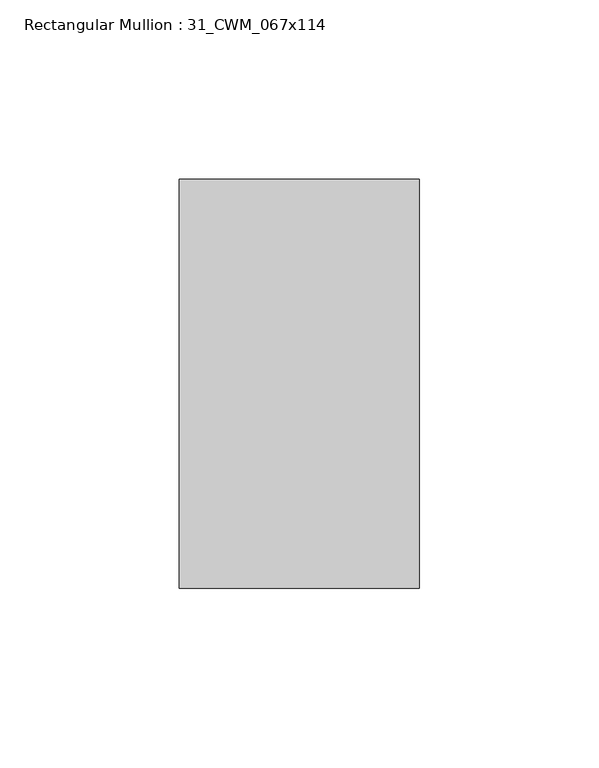
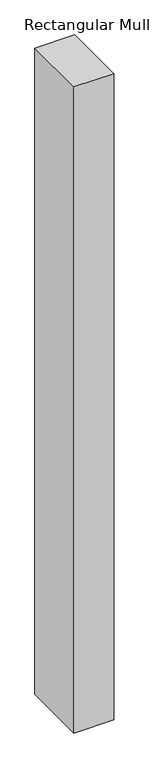
"""IFC4 building model written with IfcOpenShell, lengths in millimetres: member geometry, Rectangular Mullion : 31_CWM_067x114."""

import ifcopenshell
import ifcopenshell.guid

model = None  # the IFC model being written
_history = None  # IfcOwnerHistory: only IFC2X3 demands one
_inside = {}  # id of a spatial element -> (the spatial element, [elements in it])
_under = {}  # id of a project, library or spatial element -> (it, [spatial elements below it])
_declared = {}  # id of a project -> (the project, [libraries it declares])
_typed = {}  # id of a type object -> (the type object, [elements of that type])
_made_of = {}  # id of a material, layer set ... -> (it, [elements and type objects made of it])


def new_model(schema):
    """Start an empty IFC model of exactly this schema.

    Asked for "IFC4X3", IfcOpenShell would pick the latest addendum, in which some entities
    have other attributes; the version numbers below select the first issue.
    IFC2X3 requires an IfcOwnerHistory on every rooted entity: one is made here for all.
    """
    global model, _history
    if schema == "IFC4X3":
        model = ifcopenshell.file(schema_version=(4, 3, 0, 0))
    else:
        model = ifcopenshell.file(schema=schema)
    _inside.clear()
    _under.clear()
    _declared.clear()
    _typed.clear()
    _made_of.clear()
    _history = None
    if model.schema == "IFC2X3":
        org = make("IfcOrganization", Name="unknown")
        user = make(
            "IfcPersonAndOrganization",
            ThePerson=make("IfcPerson", FamilyName="unknown"),
            TheOrganization=org,
        )
        app = make(
            "IfcApplication",
            ApplicationDeveloper=org,
            Version="unknown",
            ApplicationFullName="unknown",
            ApplicationIdentifier="unknown",
        )
        _history = make(
            "IfcOwnerHistory",
            OwningUser=user,
            OwningApplication=app,
            ChangeAction="ADDED",
            CreationDate=0,
        )
    return model


def make(cls, **values):
    """One entity of the class cls with the attributes given. An attribute that is None is left unset."""
    return model.create_entity(
        cls, **{name: value for name, value in values.items() if value is not None}
    )


def rooted(cls, **values):
    """An entity with a GlobalId (a new one), such as an element, a storey or a relation."""
    return make(cls, GlobalId=ifcopenshell.guid.new(), OwnerHistory=_history, **values)


def si_unit(unit_type, name, prefix=None):
    """IfcSIUnit, for example si_unit("LENGTHUNIT", "METRE", prefix="MILLI")."""
    return make("IfcSIUnit", UnitType=unit_type, Prefix=prefix, Name=name)


def assignment(units):
    """IfcUnitAssignment: the units of a project."""
    return None if units is None else make("IfcUnitAssignment", Units=units)


def point(xyz):
    """IfcCartesianPoint."""
    return None if xyz is None else make("IfcCartesianPoint", Coordinates=xyz)


def direction(xyz):
    """IfcDirection."""
    return None if xyz is None else make("IfcDirection", DirectionRatios=xyz)


def frame(location, z_axis=None, x_axis=None):
    """IfcAxis2Placement3D, a coordinate frame: its origin and axes. An axis left out is left unset."""
    return make(
        "IfcAxis2Placement3D",
        Location=point(location),
        Axis=direction(z_axis),
        RefDirection=direction(x_axis),
    )


def origin():
    """The frame at (0, 0, 0) with its axes left unset."""
    return frame((0.0, 0.0, 0.0))


def place(relative_to, where):
    """IfcLocalPlacement: puts the frame where relative to a parent placement (None: the world)."""
    return make(
        "IfcLocalPlacement", PlacementRelTo=relative_to, RelativePlacement=where
    )


def context(
    kind, dimensions, precision=None, world=None, true_north=None, identifier=None
):
    """IfcGeometricRepresentationContext, for example the 3D "Model" context."""
    return make(
        "IfcGeometricRepresentationContext",
        ContextIdentifier=identifier,
        ContextType=kind,
        CoordinateSpaceDimension=dimensions,
        Precision=precision,
        WorldCoordinateSystem=world,
        TrueNorth=true_north,
    )


def project(units=None, contexts=None):
    """IfcProject with its units and contexts."""
    return rooted(
        "IfcProject",
        Name="project",
        RepresentationContexts=contexts,
        UnitsInContext=assignment(units),
    )


def spatial(cls, under=None, at=None, **own):
    """A site, building, storey or space (cls), placed at a placement, below another one or the project."""
    s = rooted(cls, ObjectPlacement=at, **own)
    if under is not None:
        _under.setdefault(under.id(), (under, []))[1].append(s)
    return s


def polyline(points):
    """IfcPolyline through the points."""
    return make("IfcPolyline", Points=[point(p) for p in points])


def outline(outer, holes=None, kind="AREA"):
    """IfcArbitraryClosedProfileDef: a profile drawn as a closed curve; with holes, ...WithVoids."""
    if holes is None:
        return make("IfcArbitraryClosedProfileDef", ProfileType=kind, OuterCurve=outer)
    return make(
        "IfcArbitraryProfileDefWithVoids",
        ProfileType=kind,
        OuterCurve=outer,
        InnerCurves=holes,
    )


def extrude(swept, where, along, depth):
    """IfcExtrudedAreaSolid: the profile swept, set in the frame where, extruded along a direction by depth."""
    return make(
        "IfcExtrudedAreaSolid",
        SweptArea=swept,
        Position=where,
        ExtrudedDirection=direction(along),
        Depth=depth,
    )


def shape(context_of_items, identifier, shape_type, items):
    """IfcShapeRepresentation: the items that make up one representation, for example the "Body"."""
    return make(
        "IfcShapeRepresentation",
        ContextOfItems=context_of_items,
        RepresentationIdentifier=identifier,
        RepresentationType=shape_type,
        Items=items,
    )


def source(mapping_origin, context_of_items, identifier, shape_type, items):
    """IfcRepresentationMap: a shape defined once, which mapped items show again and again."""
    return make(
        "IfcRepresentationMap",
        MappingOrigin=mapping_origin,
        MappedRepresentation=shape(context_of_items, identifier, shape_type, items),
    )


def transform(
    local_origin,
    x_axis=None,
    y_axis=None,
    z_axis=None,
    scale=None,
    scale2=None,
    scale3=None,
    uniform=True,
):
    """IfcCartesianTransformationOperator3D, or its non-uniform kind. x_axis, y_axis, z_axis: its Axis1, 2, 3."""
    if uniform:
        return make(
            "IfcCartesianTransformationOperator3D",
            Axis1=direction(x_axis),
            Axis2=direction(y_axis),
            LocalOrigin=point(local_origin),
            Scale=scale,
            Axis3=direction(z_axis),
        )
    return make(
        "IfcCartesianTransformationOperator3DnonUniform",
        Axis1=direction(x_axis),
        Axis2=direction(y_axis),
        LocalOrigin=point(local_origin),
        Scale=scale,
        Axis3=direction(z_axis),
        Scale2=scale2,
        Scale3=scale3,
    )


def mapped(mapping_source, mapping_target):
    """IfcMappedItem: shows the shape of a source again, moved by a transform."""
    return make(
        "IfcMappedItem", MappingSource=mapping_source, MappingTarget=mapping_target
    )


def made_of(thing, what):
    """Note that an element or type object is made of a material, layer set ...; save() writes the relation."""
    if what is not None:
        _made_of.setdefault(what.id(), (what, []))[1].append(thing)
    return thing


def element(
    cls,
    number,
    at=None,
    inside=None,
    cuts=None,
    type_object=None,
    material=None,
    context=None,
    identifier="Body",
    shape_type=None,
    held_by="IfcProductDefinitionShape",
    body=None,
    shapes=None,
    **own,
):
    """One element of the class cls, such as IfcWall. Its Tag is "e" and its number.

    at: its placement. inside: the storey or other place that contains it. cuts: it is an
    opening in that element (IfcRelVoidsElement). A single representation is given by context,
    identifier, shape_type and body (its items); several are given by shapes. held_by: the class
    of the entity that holds the representations. save() writes the other relations.
    """
    e = rooted(cls, Tag="e%d" % number, ObjectPlacement=at, **own)
    if body is not None:
        shapes = [shape(context, identifier, shape_type, body)]
    if shapes is not None:
        e.Representation = make(held_by, Representations=shapes)
    if inside is not None:
        _inside.setdefault(inside.id(), (inside, []))[1].append(e)
    if cuts is not None:
        rooted(
            "IfcRelVoidsElement", RelatingBuildingElement=cuts, RelatedOpeningElement=e
        )
    if type_object is not None:
        _typed.setdefault(type_object.id(), (type_object, []))[1].append(e)
    return made_of(e, material)


def aggregate(whole, parts):
    """IfcRelAggregates: a whole, such as a stair, and the parts it consists of."""
    return rooted("IfcRelAggregates", RelatingObject=whole, RelatedObjects=parts)


def save(model, path):
    """Write the relations noted so far, then the file.

    IfcRelAggregates (storeys below a building ...), IfcRelContainedInSpatialStructure (elements
    in a storey), IfcRelDefinesByType, IfcRelAssociatesMaterial and IfcRelDeclares: one each for
    every whole, place, type object, material and project.
    """
    for whole, parts in _under.values():
        aggregate(whole, parts)
    for where, things in _inside.values():
        rooted(
            "IfcRelContainedInSpatialStructure",
            RelatedElements=things,
            RelatingStructure=where,
        )
    for kind, things in _typed.values():
        rooted("IfcRelDefinesByType", RelatedObjects=things, RelatingType=kind)
    for what, things in _made_of.values():
        rooted("IfcRelAssociatesMaterial", RelatedObjects=things, RelatingMaterial=what)
    for by, libraries in _declared.values():
        rooted("IfcRelDeclares", RelatingContext=by, RelatedDefinitions=libraries)
    model.write(path)


def rectangular_mullion_31_cwm_067x114_dfc6e7fa(model_context):
    return source(origin(), model_context, "Body", "SweptSolid", [
        extrude(outline(polyline([(33.5, 0.0), (33.5, -114.0), (-33.5, -114.0), (-33.5, 0.0), (33.5, 0.0)])), frame((0.0, 0.0, -1151.1666667), z_axis=(0.0, 0.0, 1.0), x_axis=(1.0, 0.0, 0.0)), (0.0, 0.0, 1.0), 1151.1666667),
    ])


if __name__ == "__main__":
    model = new_model("IFC4")
    model_context = context("Model", 3, world=origin())
    ifc_project = project(units=[si_unit("LENGTHUNIT", "METRE", prefix="MILLI")], contexts=[model_context])
    site = spatial("IfcSite", under=ifc_project)
    building = spatial("IfcBuilding", under=site)
    placement = place(None, origin())
    rectangular_mullion_31_cwm_067x114_shape = rectangular_mullion_31_cwm_067x114_dfc6e7fa(model_context)
    element("IfcMember", 1, ObjectType="Rectangular Mullion : 31_CWM_067x114", at=placement, inside=building, context=model_context, shape_type="MappedRepresentation", body=[
        mapped(rectangular_mullion_31_cwm_067x114_shape, transform((0.0, 0.0, 0.0), x_axis=(1.0, 0.0, 0.0), y_axis=(0.0, 1.0, 0.0), z_axis=(0.0, 0.0, 1.0))),
    ])
    save(model, "model.ifc")
